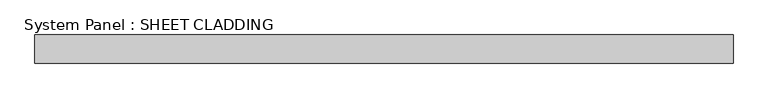
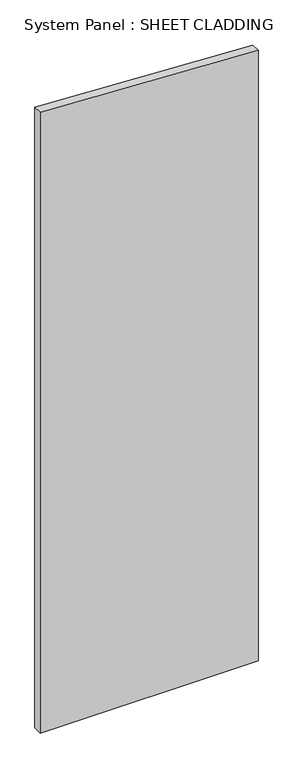
"""IFC4 building model written with IfcOpenShell, lengths in millimetres: plate geometry, System Panel : SHEET CLADDING."""

import ifcopenshell
import ifcopenshell.guid

model = None  # the IFC model being written
_history = None  # IfcOwnerHistory: only IFC2X3 demands one
_inside = {}  # id of a spatial element -> (the spatial element, [elements in it])
_under = {}  # id of a project, library or spatial element -> (it, [spatial elements below it])
_declared = {}  # id of a project -> (the project, [libraries it declares])
_typed = {}  # id of a type object -> (the type object, [elements of that type])
_made_of = {}  # id of a material, layer set ... -> (it, [elements and type objects made of it])


def new_model(schema):
    """Start an empty IFC model of exactly this schema.

    Asked for "IFC4X3", IfcOpenShell would pick the latest addendum, in which some entities
    have other attributes; the version numbers below select the first issue.
    IFC2X3 requires an IfcOwnerHistory on every rooted entity: one is made here for all.
    """
    global model, _history
    if schema == "IFC4X3":
        model = ifcopenshell.file(schema_version=(4, 3, 0, 0))
    else:
        model = ifcopenshell.file(schema=schema)
    _inside.clear()
    _under.clear()
    _declared.clear()
    _typed.clear()
    _made_of.clear()
    _history = None
    if model.schema == "IFC2X3":
        org = make("IfcOrganization", Name="unknown")
        user = make(
            "IfcPersonAndOrganization",
            ThePerson=make("IfcPerson", FamilyName="unknown"),
            TheOrganization=org,
        )
        app = make(
            "IfcApplication",
            ApplicationDeveloper=org,
            Version="unknown",
            ApplicationFullName="unknown",
            ApplicationIdentifier="unknown",
        )
        _history = make(
            "IfcOwnerHistory",
            OwningUser=user,
            OwningApplication=app,
            ChangeAction="ADDED",
            CreationDate=0,
        )
    return model


def make(cls, **values):
    """One entity of the class cls with the attributes given. An attribute that is None is left unset."""
    return model.create_entity(
        cls, **{name: value for name, value in values.items() if value is not None}
    )


def rooted(cls, **values):
    """An entity with a GlobalId (a new one), such as an element, a storey or a relation."""
    return make(cls, GlobalId=ifcopenshell.guid.new(), OwnerHistory=_history, **values)


def si_unit(unit_type, name, prefix=None):
    """IfcSIUnit, for example si_unit("LENGTHUNIT", "METRE", prefix="MILLI")."""
    return make("IfcSIUnit", UnitType=unit_type, Prefix=prefix, Name=name)


def assignment(units):
    """IfcUnitAssignment: the units of a project."""
    return None if units is None else make("IfcUnitAssignment", Units=units)


def point(xyz):
    """IfcCartesianPoint."""
    return None if xyz is None else make("IfcCartesianPoint", Coordinates=xyz)


def direction(xyz):
    """IfcDirection."""
    return None if xyz is None else make("IfcDirection", DirectionRatios=xyz)


def frame(location, z_axis=None, x_axis=None):
    """IfcAxis2Placement3D, a coordinate frame: its origin and axes. An axis left out is left unset."""
    return make(
        "IfcAxis2Placement3D",
        Location=point(location),
        Axis=direction(z_axis),
        RefDirection=direction(x_axis),
    )


def origin():
    """The frame at (0, 0, 0) with its axes left unset."""
    return frame((0.0, 0.0, 0.0))


def place(relative_to, where):
    """IfcLocalPlacement: puts the frame where relative to a parent placement (None: the world)."""
    return make(
        "IfcLocalPlacement", PlacementRelTo=relative_to, RelativePlacement=where
    )


def context(
    kind, dimensions, precision=None, world=None, true_north=None, identifier=None
):
    """IfcGeometricRepresentationContext, for example the 3D "Model" context."""
    return make(
        "IfcGeometricRepresentationContext",
        ContextIdentifier=identifier,
        ContextType=kind,
        CoordinateSpaceDimension=dimensions,
        Precision=precision,
        WorldCoordinateSystem=world,
        TrueNorth=true_north,
    )


def project(units=None, contexts=None):
    """IfcProject with its units and contexts."""
    return rooted(
        "IfcProject",
        Name="project",
        RepresentationContexts=contexts,
        UnitsInContext=assignment(units),
    )


def spatial(cls, under=None, at=None, **own):
    """A site, building, storey or space (cls), placed at a placement, below another one or the project."""
    s = rooted(cls, ObjectPlacement=at, **own)
    if under is not None:
        _under.setdefault(under.id(), (under, []))[1].append(s)
    return s


def polyline(points):
    """IfcPolyline through the points."""
    return make("IfcPolyline", Points=[point(p) for p in points])


def outline(outer, holes=None, kind="AREA"):
    """IfcArbitraryClosedProfileDef: a profile drawn as a closed curve; with holes, ...WithVoids."""
    if holes is None:
        return make("IfcArbitraryClosedProfileDef", ProfileType=kind, OuterCurve=outer)
    return make(
        "IfcArbitraryProfileDefWithVoids",
        ProfileType=kind,
        OuterCurve=outer,
        InnerCurves=holes,
    )


def extrude(swept, where, along, depth):
    """IfcExtrudedAreaSolid: the profile swept, set in the frame where, extruded along a direction by depth."""
    return make(
        "IfcExtrudedAreaSolid",
        SweptArea=swept,
        Position=where,
        ExtrudedDirection=direction(along),
        Depth=depth,
    )


def shape(context_of_items, identifier, shape_type, items):
    """IfcShapeRepresentation: the items that make up one representation, for example the "Body"."""
    return make(
        "IfcShapeRepresentation",
        ContextOfItems=context_of_items,
        RepresentationIdentifier=identifier,
        RepresentationType=shape_type,
        Items=items,
    )


def source(mapping_origin, context_of_items, identifier, shape_type, items):
    """IfcRepresentationMap: a shape defined once, which mapped items show again and again."""
    return make(
        "IfcRepresentationMap",
        MappingOrigin=mapping_origin,
        MappedRepresentation=shape(context_of_items, identifier, shape_type, items),
    )


def transform(
    local_origin,
    x_axis=None,
    y_axis=None,
    z_axis=None,
    scale=None,
    scale2=None,
    scale3=None,
    uniform=True,
):
    """IfcCartesianTransformationOperator3D, or its non-uniform kind. x_axis, y_axis, z_axis: its Axis1, 2, 3."""
    if uniform:
        return make(
            "IfcCartesianTransformationOperator3D",
            Axis1=direction(x_axis),
            Axis2=direction(y_axis),
            LocalOrigin=point(local_origin),
            Scale=scale,
            Axis3=direction(z_axis),
        )
    return make(
        "IfcCartesianTransformationOperator3DnonUniform",
        Axis1=direction(x_axis),
        Axis2=direction(y_axis),
        LocalOrigin=point(local_origin),
        Scale=scale,
        Axis3=direction(z_axis),
        Scale2=scale2,
        Scale3=scale3,
    )


def mapped(mapping_source, mapping_target):
    """IfcMappedItem: shows the shape of a source again, moved by a transform."""
    return make(
        "IfcMappedItem", MappingSource=mapping_source, MappingTarget=mapping_target
    )


def made_of(thing, what):
    """Note that an element or type object is made of a material, layer set ...; save() writes the relation."""
    if what is not None:
        _made_of.setdefault(what.id(), (what, []))[1].append(thing)
    return thing


def element(
    cls,
    number,
    at=None,
    inside=None,
    cuts=None,
    type_object=None,
    material=None,
    context=None,
    identifier="Body",
    shape_type=None,
    held_by="IfcProductDefinitionShape",
    body=None,
    shapes=None,
    **own,
):
    """One element of the class cls, such as IfcWall. Its Tag is "e" and its number.

    at: its placement. inside: the storey or other place that contains it. cuts: it is an
    opening in that element (IfcRelVoidsElement). A single representation is given by context,
    identifier, shape_type and body (its items); several are given by shapes. held_by: the class
    of the entity that holds the representations. save() writes the other relations.
    """
    e = rooted(cls, Tag="e%d" % number, ObjectPlacement=at, **own)
    if body is not None:
        shapes = [shape(context, identifier, shape_type, body)]
    if shapes is not None:
        e.Representation = make(held_by, Representations=shapes)
    if inside is not None:
        _inside.setdefault(inside.id(), (inside, []))[1].append(e)
    if cuts is not None:
        rooted(
            "IfcRelVoidsElement", RelatingBuildingElement=cuts, RelatedOpeningElement=e
        )
    if type_object is not None:
        _typed.setdefault(type_object.id(), (type_object, []))[1].append(e)
    return made_of(e, material)


def aggregate(whole, parts):
    """IfcRelAggregates: a whole, such as a stair, and the parts it consists of."""
    return rooted("IfcRelAggregates", RelatingObject=whole, RelatedObjects=parts)


def save(model, path):
    """Write the relations noted so far, then the file.

    IfcRelAggregates (storeys below a building ...), IfcRelContainedInSpatialStructure (elements
    in a storey), IfcRelDefinesByType, IfcRelAssociatesMaterial and IfcRelDeclares: one each for
    every whole, place, type object, material and project.
    """
    for whole, parts in _under.values():
        aggregate(whole, parts)
    for where, things in _inside.values():
        rooted(
            "IfcRelContainedInSpatialStructure",
            RelatedElements=things,
            RelatingStructure=where,
        )
    for kind, things in _typed.values():
        rooted("IfcRelDefinesByType", RelatedObjects=things, RelatingType=kind)
    for what, things in _made_of.values():
        rooted("IfcRelAssociatesMaterial", RelatedObjects=things, RelatingMaterial=what)
    for by, libraries in _declared.values():
        rooted("IfcRelDeclares", RelatingContext=by, RelatedDefinitions=libraries)
    model.write(path)


def system_panel_sheet_cladding_fe8fefd5(model_context):
    return source(origin(), model_context, "Body", "SweptSolid", [
        extrude(outline(polyline([(0.0, -735.4591837), (0.0, 735.4591837), (4355.1765306, 735.4591837), (4428.722449, -735.4591837), (0.0, -735.4591837)])), frame((0.0, -10.5, 0.0), z_axis=(0.0, 1.0, 0.0), x_axis=(0.0, 0.0, 1.0)), (0.0, 0.0, 1.0), 60.0),
    ])


if __name__ == "__main__":
    model = new_model("IFC4")
    model_context = context("Model", 3, world=origin())
    ifc_project = project(units=[si_unit("LENGTHUNIT", "METRE", prefix="MILLI")], contexts=[model_context])
    site = spatial("IfcSite", under=ifc_project)
    building = spatial("IfcBuilding", under=site)
    placement = place(None, origin())
    system_panel_sheet_cladding_shape = system_panel_sheet_cladding_fe8fefd5(model_context)
    element("IfcPlate", 1, ObjectType="System Panel : SHEET CLADDING", at=placement, inside=building, context=model_context, shape_type="MappedRepresentation", body=[
        mapped(system_panel_sheet_cladding_shape, transform((0.0, 0.0, 0.0), x_axis=(1.0, 0.0, 0.0), y_axis=(0.0, 1.0, 0.0), z_axis=(0.0, 0.0, 1.0))),
    ])
    save(model, "model.ifc")
